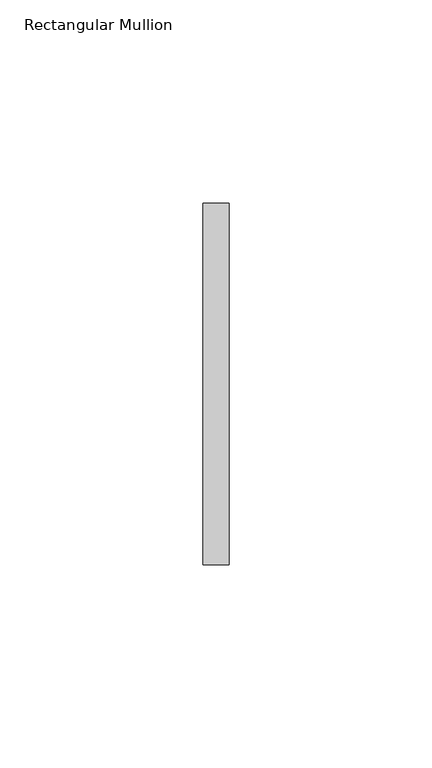
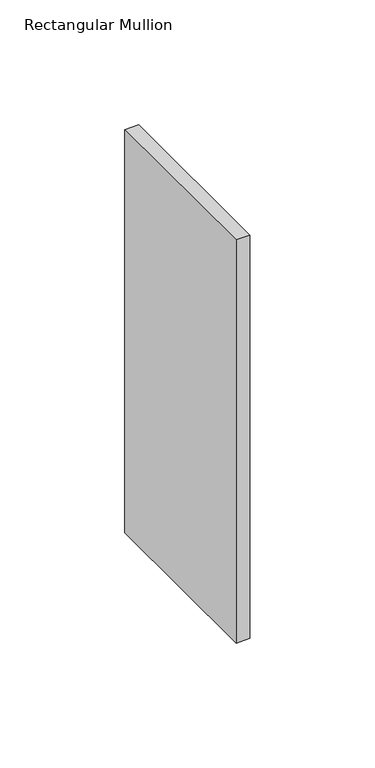
"""IFC4 building model written with IfcOpenShell, lengths in millimetres: member geometry, Rectangular Mullion."""

from ifc_helpers import new_model, si_unit, frame, origin, place, context, project, spatial, polyline, outline, extrude, source, transform, mapped, element, save


def rectangular_mullion_57dd4ca7(model_context):
    return source(origin(), model_context, "Body", "SweptSolid", [
        extrude(outline(polyline([(0.0, 44.45), (0.0, -44.45), (-6.35, -44.45), (-6.35, 44.45), (0.0, 44.45)])), frame((0.0, 0.0, -196.85), z_axis=(0.0, 0.0, 1.0), x_axis=(1.0, 0.0, 0.0)), (0.0, 0.0, 1.0), 196.85),
    ])


if __name__ == "__main__":
    model = new_model("IFC4")
    model_context = context("Model", 3, world=origin())
    ifc_project = project(units=[si_unit("LENGTHUNIT", "METRE", prefix="MILLI")], contexts=[model_context])
    site = spatial("IfcSite", under=ifc_project)
    building = spatial("IfcBuilding", under=site)
    placement = place(None, origin())
    rectangular_mullion_shape = rectangular_mullion_57dd4ca7(model_context)
    element("IfcMember", 1, ObjectType="Rectangular Mullion", at=placement, inside=building, context=model_context, shape_type="MappedRepresentation", body=[
        mapped(rectangular_mullion_shape, transform((0.0, 0.0, 0.0), x_axis=(1.0, 0.0, 0.0), y_axis=(0.0, 1.0, 0.0), z_axis=(0.0, 0.0, 1.0))),
    ])
    save(model, "model.ifc")
